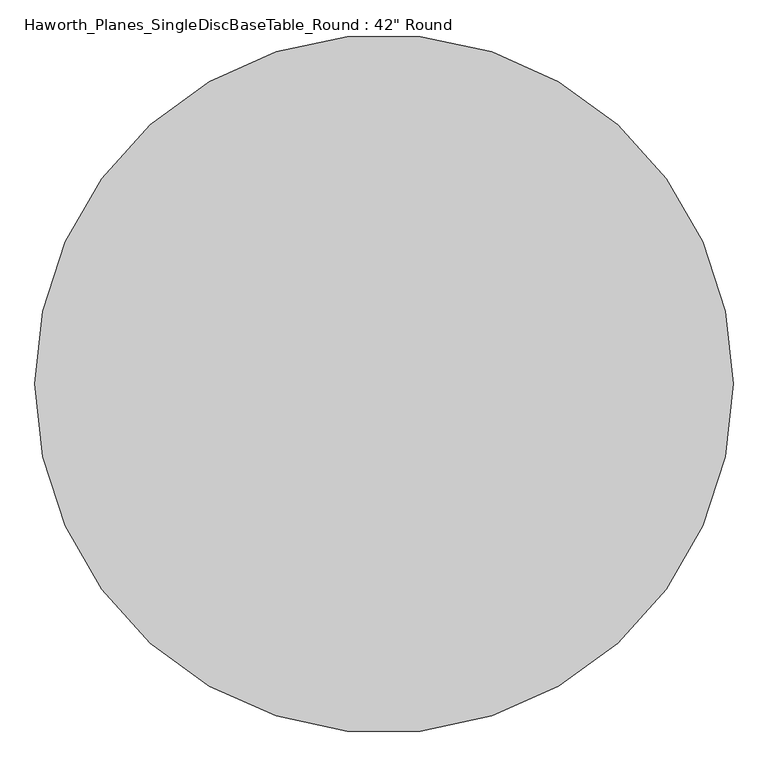
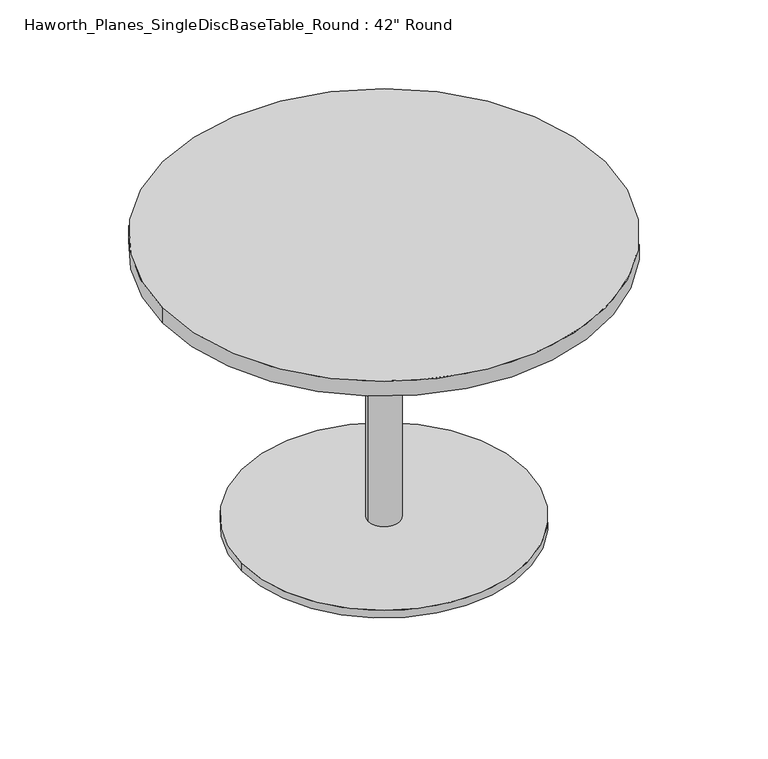
"""IFC4 building model written with IfcOpenShell, lengths in millimetres: furniture geometry."""

from ifc_helpers import new_model, si_unit, point, frame, origin, origin_with_axes, origin_2d, place, context, project, spatial, polyline, circle_curve, trimmed, segment, composite_curve, outline, extrude, source, transform, mapped, element, save


def furniture_f2f8feef(model_context):
    return source(origin(), model_context, "Body", "SweptSolid", [
        extrude(outline(polyline([(136.525, 136.525), (136.525, -136.525), (-136.525, -136.525), (-136.525, 136.525), (136.525, 136.525)])), frame((0.0, 0.0, 692.15), z_axis=(0.0, 0.0, 1.0), x_axis=(1.0, 0.0, 0.0)), (0.0, 0.0, 1.0), 6.35),
        extrude(outline(composite_curve([segment(trimmed(circle_curve(origin_2d(), 533.4), [point((-533.4, 0.0))], [point((533.4, 0.0))], False, "CARTESIAN"), True, "CONTINUOUS"), segment(trimmed(circle_curve(origin_2d(), 533.4), [point((533.4, 0.0))], [point((-533.4, 0.0))], False, "CARTESIAN"), True, "CONTINUOUS")], self_intersect=False)), frame((0.0, 0.0, 698.5), z_axis=(0.0, 0.0, 1.0), x_axis=(1.0, 0.0, 0.0)), (0.0, 0.0, 1.0), 38.1),
        extrude(outline(composite_curve([segment(trimmed(circle_curve(origin_2d(), 342.9), [point((-342.9, 0.0))], [point((342.9, 0.0))], False, "CARTESIAN"), True, "CONTINUOUS"), segment(trimmed(circle_curve(origin_2d(), 342.9), [point((342.9, 0.0))], [point((-342.9, 0.0))], False, "CARTESIAN"), True, "CONTINUOUS")], self_intersect=False)), origin_with_axes(), (0.0, 0.0, 1.0), 19.05),
        extrude(outline(composite_curve([segment(trimmed(circle_curve(origin_2d(), 38.1), [point((-38.1, 0.0))], [point((38.1, 0.0))], False, "CARTESIAN"), True, "CONTINUOUS"), segment(trimmed(circle_curve(origin_2d(), 38.1), [point((38.1, 0.0))], [point((-38.1, 0.0))], False, "CARTESIAN"), True, "CONTINUOUS")], self_intersect=False)), frame((0.0, 0.0, 19.05), z_axis=(0.0, 0.0, 1.0), x_axis=(1.0, 0.0, 0.0)), (0.0, 0.0, 1.0), 679.45),
        extrude(outline(composite_curve([segment(trimmed(circle_curve(origin_2d(), 31.75), [point((-31.75, 0.0))], [point((31.75, 0.0))], False, "CARTESIAN"), True, "CONTINUOUS"), segment(trimmed(circle_curve(origin_2d(), 31.75), [point((31.75, 0.0))], [point((-31.75, 0.0))], False, "CARTESIAN"), True, "CONTINUOUS")], self_intersect=False)), frame((0.0, 0.0, 237.4510949), z_axis=(0.0, 0.0, 1.0), x_axis=(1.0, 0.0, 0.0)), (0.0, 0.0, 1.0), 461.0489051),
    ])


if __name__ == "__main__":
    model = new_model("IFC4")
    model_context = context("Model", 3, world=origin())
    ifc_project = project(units=[si_unit("LENGTHUNIT", "METRE", prefix="MILLI")], contexts=[model_context])
    site = spatial("IfcSite", under=ifc_project)
    building = spatial("IfcBuilding", under=site)
    placement = place(None, origin())
    furniture_shape = furniture_f2f8feef(model_context)
    element("IfcFurniture", 1, ObjectType="Haworth_Planes_SingleDiscBaseTable_Round : 42\" Round", at=placement, inside=building, context=model_context, shape_type="MappedRepresentation", body=[
        mapped(furniture_shape, transform((0.0, 0.0, 0.0), x_axis=(1.0, 0.0, 0.0), y_axis=(0.0, 1.0, 0.0), z_axis=(0.0, 0.0, 1.0))),
    ])
    save(model, "model.ifc")
